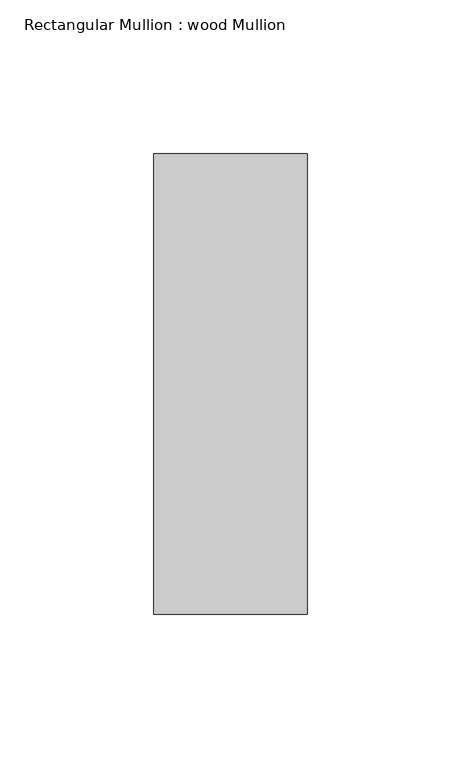
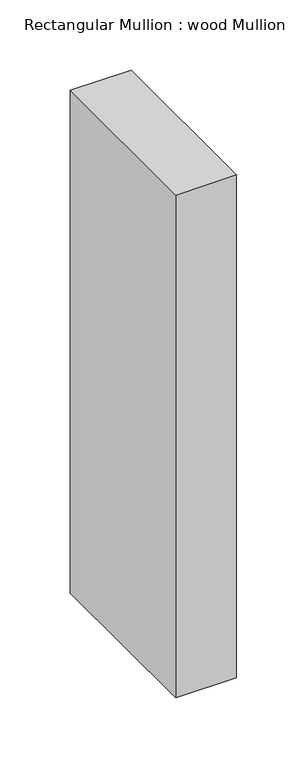
"""IFC4 building model written with IfcOpenShell, lengths in millimetres: member geometry, Rectangular Mullion : wood Mullion."""

from ifc_helpers import new_model, si_unit, frame, origin, place, context, project, spatial, polyline, outline, extrude, source, transform, mapped, element, save


def rectangular_mullion_wood_mullion_3ae03882(model_context):
    return source(origin(), model_context, "Body", "SweptSolid", [
        extrude(outline(polyline([(0.0, 75.0), (0.0, -75.0), (-50.0, -75.0), (-50.0, 75.0), (0.0, 75.0)])), frame((0.0, 0.0, -436.8108175), z_axis=(0.0, 0.0, 1.0), x_axis=(1.0, 0.0, 0.0)), (0.0, 0.0, 1.0), 436.8108175),
    ])


if __name__ == "__main__":
    model = new_model("IFC4")
    model_context = context("Model", 3, world=origin())
    ifc_project = project(units=[si_unit("LENGTHUNIT", "METRE", prefix="MILLI")], contexts=[model_context])
    site = spatial("IfcSite", under=ifc_project)
    building = spatial("IfcBuilding", under=site)
    placement = place(None, origin())
    rectangular_mullion_wood_mullion_shape = rectangular_mullion_wood_mullion_3ae03882(model_context)
    element("IfcMember", 1, ObjectType="Rectangular Mullion : wood Mullion", at=placement, inside=building, context=model_context, shape_type="MappedRepresentation", body=[
        mapped(rectangular_mullion_wood_mullion_shape, transform((0.0, 0.0, 0.0), x_axis=(1.0, 0.0, 0.0), y_axis=(0.0, 1.0, 0.0), z_axis=(0.0, 0.0, 1.0))),
    ])
    save(model, "model.ifc")
